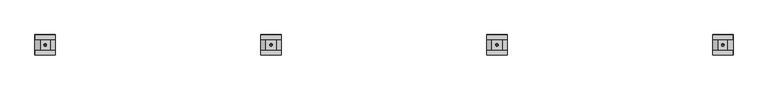
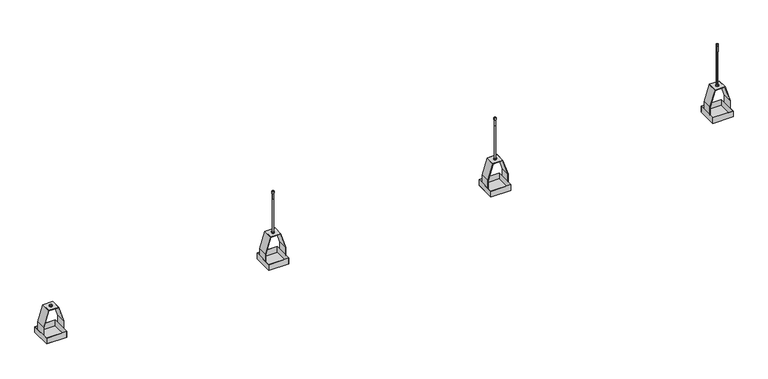
"""IFC4 building model written with IfcOpenShell, lengths in millimetres: proxy geometry."""

from ifc_helpers import new_model, si_unit, point, frame, frame_2d, origin, origin_2d, place, context, project, spatial, polyline, circle_curve, trimmed, segment, composite_curve, outline, extrude, faceted_brep, source, transform, mapped, element, save
from ifc_brep_helpers import plane_surface, cylinder_surface, revolved_surface, advanced_brep


def generic_models_8f2b89ca(model_context):
    return source(origin(), model_context, "Body", "SolidModel", [
        faceted_brep([(3250.0, -50.0, 30.0), (3350.0, -50.0, 30.0), (3350.0, 50.0, 30.0), (3250.0, 50.0, 30.0), (3250.8, -49.2, 30.0), (3250.8, 49.2, 30.0), (3349.2, 49.2, 30.0), (3349.2, -49.2, 30.0), (3250.0, -50.0, 0.0), (3250.0, 50.0, 0.0), (3350.0, 50.0, 0.0), (3350.0, -50.0, 0.0), (3250.0, -50.0, 0.8), (3350.0, -50.0, 0.8), (3350.0, 50.0, 0.8), (3250.0, 50.0, 0.8), (3250.8, -49.2, 0.8), (3250.8, 49.2, 0.8), (3349.2, 49.2, 0.8), (3349.2, -49.2, 0.8)], [[[0, 1, 2, 3], [4, 5, 6, 7]], [[8, 9, 10, 11]], [[1, 0, 12, 8, 11, 13]], [[2, 1, 13, 11, 10, 14]], [[3, 2, 14, 10, 9, 15]], [[0, 3, 15, 9, 8, 12]], [[5, 4, 16, 17]], [[6, 5, 17, 18]], [[7, 6, 18, 19]], [[4, 7, 19, 16]], [[17, 16, 19, 18]]]),
        advanced_brep(
        [(3275.0, 25.0, 149.9839984), (3323.9299569, 25.0, 149.9839984), (3323.9299569, 25.0, 149.1839984), (3275.5881176, 25.0, 149.1839984), (3250.8, 25.0, 69.8778879), (3250.8, 25.0, 30.0), (3250.0, 25.0, 30.0), (3250.0, 25.0, 70.0), (3275.0, -25.0, 149.9839984), (3250.0, -25.0, 70.0), (3250.0, -25.0, 30.0), (3250.8, -25.0, 30.0), (3250.8, -25.0, 69.8778879), (3275.5881176, -25.0, 149.1839984), (3323.9299569, -25.0, 149.1839984), (3323.9299569, -25.0, 149.9839984), (3294.0, 0.0, 149.9839984), (3306.0, 0.0, 149.9839984), (3306.0, 0.0, 149.1839984), (3294.0, 0.0, 149.1839984)],
        [
            (0, 1),
            (1, 2),
            (2, 3),
            (3, 4),
            (4, 5),
            (5, 6),
            (6, 7),
            (7, 0),
            (8, 9),
            (9, 10),
            (10, 11),
            (11, 12),
            (12, 13),
            (13, 14),
            (14, 15),
            (15, 8),
            (0, 8),
            (15, 1),
            (16, 17, circle_curve(frame((3300.0, 0.0, 149.9839984), z_axis=(0.0, 0.0, -1.0), x_axis=(-1.0, 0.0, 0.0)), 6.0)),
            (17, 16, circle_curve(frame((3300.0, 0.0, 149.9839984), z_axis=(0.0, 0.0, -1.0), x_axis=(-1.0, 0.0, 0.0)), 6.0)),
            (2, 14),
            (13, 3),
            (18, 19, circle_curve(frame((3300.0, 0.0, 149.1839984), z_axis=(0.0, 0.0, 1.0), x_axis=(-1.0, 0.0, 0.0)), 6.0)),
            (19, 18, circle_curve(frame((3300.0, 0.0, 149.1839984), z_axis=(0.0, 0.0, 1.0), x_axis=(-1.0, 0.0, 0.0)), 6.0)),
            (12, 4),
            (11, 5),
            (10, 6),
            (9, 7),
            (18, 17),
            (16, 19),
        ],
        [
            plane_surface(frame((3325.0, 25.0, 149.9839984), z_axis=(0.0, 1.0, 0.0), x_axis=(1.0, 0.0, 0.0))),
            plane_surface(frame((3325.0, -25.0, 149.9839984), z_axis=(0.0, -1.0, 0.0), x_axis=(-1.0, 0.0, 0.0))),
            plane_surface(frame((3275.0, 25.0, 149.9839984), z_axis=(0.0, 0.0, 1.0), x_axis=(0.0, -1.0, 0.0))),
            plane_surface(frame((3323.9299569, 25.0, 149.1839984), z_axis=(0.0, 0.0, -1.0), x_axis=(0.0, -1.0, 0.0))),
            plane_surface(frame((3275.5881176, 25.0, 149.1839984), z_axis=(0.9544629880629963, 0.0, -0.2983293556086235), x_axis=(0.0, -1.0, 0.0))),
            plane_surface(frame((3250.8, 25.0, 69.8778879), z_axis=(1.0, 0.0, 0.0), x_axis=(0.0, -1.0, 0.0))),
            plane_surface(frame((3250.8, 25.0, 30.0), z_axis=(0.0, 0.0, -1.0), x_axis=(0.0, -1.0, 0.0))),
            plane_surface(frame((3250.0, 25.0, 30.0), z_axis=(-1.0, 0.0, 0.0), x_axis=(0.0, -1.0, 0.0))),
            plane_surface(frame((3250.0, 25.0, 70.0), z_axis=(-0.9544629880629962, 0.0, 0.2983293556086241), x_axis=(0.0, -1.0, 0.0))),
            plane_surface(frame((3323.9299569, 25.0, 149.9839984), z_axis=(1.0, 0.0, 0.0), x_axis=(0.0, -1.0, 0.0))),
            revolved_surface(polyline([(3294.0, 0.0, 149.9839984), (3294.0, 0.0, 149.1839984)]), (3300.0, 0.0, 70.0), (0.0, 0.0, 1.0)),
        ],
        [
            (0, [[1, 2, 3, 4, 5, 6, 7, 8]]),
            (1, [[9, 10, 11, 12, 13, 14, 15, 16]]),
            (2, [[-1, 17, -16, 18], [19, 20]]),
            (3, [[-3, 21, -14, 22], [23, 24]]),
            (4, [[-4, -22, -13, 25]]),
            (5, [[-5, -25, -12, 26]]),
            (6, [[-6, -26, -11, 27]]),
            (7, [[-7, -27, -10, 28]]),
            (8, [[-8, -28, -9, -17]]),
            (9, [[-2, -18, -15, -21]]),
            (10, [[29, -19, 30, -23]]),
            (10, [[-29, -24, -30, -20]]),
        ],
    ),
        advanced_brep(
        [(3324.6766931, 25.0, 151.0183734), (3350.0, 25.0, 70.0), (3350.0, 25.0, 30.0), (3349.2, 25.0, 30.0), (3349.2, 25.0, 69.8778879), (3324.0885755, 25.0, 150.2183734), (3275.0, 25.0, 150.2183734), (3275.0, 25.0, 151.0183734), (3324.6766931, -25.0, 151.0183734), (3275.0, -25.0, 151.0183734), (3275.0, -25.0, 150.2183734), (3324.0885755, -25.0, 150.2183734), (3349.2, -25.0, 69.8778879), (3349.2, -25.0, 30.0), (3350.0, -25.0, 30.0), (3350.0, -25.0, 70.0), (3294.0, 0.0, 151.0183734), (3306.0, 0.0, 151.0183734), (3306.0, 0.0, 150.2183734), (3294.0, 0.0, 150.2183734)],
        [
            (0, 1),
            (1, 2),
            (2, 3),
            (3, 4),
            (4, 5),
            (5, 6),
            (6, 7),
            (7, 0),
            (8, 9),
            (9, 10),
            (10, 11),
            (11, 12),
            (12, 13),
            (13, 14),
            (14, 15),
            (15, 8),
            (7, 9),
            (8, 0),
            (16, 17, circle_curve(frame((3300.0, 0.0, 151.0183734), z_axis=(0.0, 0.0, -1.0), x_axis=(-1.0, 0.0, 0.0)), 6.0)),
            (17, 16, circle_curve(frame((3300.0, 0.0, 151.0183734), z_axis=(0.0, 0.0, -1.0), x_axis=(-1.0, 0.0, 0.0)), 6.0)),
            (5, 11),
            (10, 6),
            (18, 19, circle_curve(frame((3300.0, 0.0, 150.2183734), z_axis=(0.0, 0.0, 1.0), x_axis=(-1.0, 0.0, 0.0)), 6.0)),
            (19, 18, circle_curve(frame((3300.0, 0.0, 150.2183734), z_axis=(0.0, 0.0, 1.0), x_axis=(-1.0, 0.0, 0.0)), 6.0)),
            (4, 12),
            (3, 13),
            (2, 14),
            (1, 15),
            (18, 17),
            (16, 19),
        ],
        [
            plane_surface(frame((3325.0, 25.0, 149.9839984), z_axis=(0.0, 1.0, 0.0), x_axis=(0.2983293556086241, 0.0, -0.9544629880629961))),
            plane_surface(frame((3325.0, -25.0, 149.9839984), z_axis=(0.0, -1.0, 0.0), x_axis=(-0.2983293556086241, 0.0, 0.9544629880629961))),
            plane_surface(frame((3275.0, 25.0, 151.0183734), z_axis=(0.0, 0.0, 1.0), x_axis=(0.0, -1.0, 0.0))),
            plane_surface(frame((3324.0885755, 25.0, 150.2183734), z_axis=(0.0, 0.0, -1.0), x_axis=(0.0, -1.0, 0.0))),
            plane_surface(frame((3349.2, 25.0, 69.8778879), z_axis=(-0.9544629880629963, 0.0, -0.29832935560862356), x_axis=(0.0, -1.0, 0.0))),
            plane_surface(frame((3349.2, 25.0, 30.0), z_axis=(-1.0, 0.0, 0.0), x_axis=(0.0, -1.0, 0.0))),
            plane_surface(frame((3350.0, 25.0, 30.0), z_axis=(0.0, 0.0, -1.0), x_axis=(0.0, -1.0, 0.0))),
            plane_surface(frame((3350.0, 25.0, 70.0), z_axis=(1.0, 0.0, 0.0), x_axis=(0.0, -1.0, 0.0))),
            plane_surface(frame((3324.6766931, 25.0, 151.0183734), z_axis=(0.9544629880629961, 0.0, 0.2983293556086241), x_axis=(0.0, -1.0, 0.0))),
            plane_surface(frame((3275.0, 25.0, 150.2183734), z_axis=(-1.0, 0.0, 0.0), x_axis=(0.0, -1.0, 0.0))),
            revolved_surface(polyline([(3294.0, 0.0, 151.0183734), (3294.0, 0.0, 150.2183734)]), (3300.0, 0.0, 70.0), (0.0, 0.0, 1.0)),
        ],
        [
            (0, [[1, 2, 3, 4, 5, 6, 7, 8]]),
            (1, [[9, 10, 11, 12, 13, 14, 15, 16]]),
            (2, [[-8, 17, -9, 18], [19, 20]]),
            (3, [[-6, 21, -11, 22], [23, 24]]),
            (4, [[-5, 25, -12, -21]]),
            (5, [[-4, 26, -13, -25]]),
            (6, [[-3, 27, -14, -26]]),
            (7, [[-2, 28, -15, -27]]),
            (8, [[-1, -18, -16, -28]]),
            (9, [[-7, -22, -10, -17]]),
            (10, [[29, -19, 30, -23]]),
            (10, [[-29, -24, -30, -20]]),
        ],
    ),
        extrude(outline(polyline([(3300.0, 6.6082069), (3305.722875, 3.3041034), (3305.722875, -3.3041034), (3300.0, -6.6082069), (3294.277125, -3.3041034), (3294.277125, 3.3041034), (3300.0, 6.6082069)]), holes=[composite_curve([segment(trimmed(circle_curve(frame_2d((3300.0, 0.0)), 3.0), [point((3303.0, 0.0))], [point((3297.0, 0.0))], True, "CARTESIAN"), True, "CONTINUOUS"), segment(trimmed(circle_curve(frame_2d((3300.0, 0.0)), 3.0), [point((3297.0, 0.0))], [point((3303.0, 0.0))], True, "CARTESIAN"), True, "CONTINUOUS")], self_intersect=False)]), frame((0.0, 0.0, 151.4355423), z_axis=(0.0, 0.0, 1.0), x_axis=(1.0, 0.0, 0.0)), (0.0, 0.0, 1.0), 5.0),
        advanced_brep(
        [(3300.0, 0.0, 369.1656731), (3295.2681778, 0.0, 367.8977852), (3304.7318222, 0.0, 367.8977852), (3303.671637, 0.0, 329.8942257), (3296.328363, 0.0, 329.8942257), (3300.0, 0.0, 329.8942257), (3303.671637, 0.0, 358.4356931), (3296.328363, 0.0, 358.4356931), (3304.7318222, 0.0, 358.4356931), (3295.2681778, 0.0, 358.4356931)],
        [
            (0, 1),
            (1, 2, circle_curve(frame((3300.0, 0.0, 367.8977852), z_axis=(0.0, 0.0, 1.0), x_axis=(-1.0, 0.0, 0.0)), 4.7318222)),
            (2, 0),
            (2, 1, circle_curve(frame((3300.0, 0.0, 367.8977852), z_axis=(0.0, 0.0, 1.0), x_axis=(-1.0, 0.0, 0.0)), 4.7318222)),
            (3, 4, circle_curve(frame((3300.0, 0.0, 329.8942257), z_axis=(0.0, 0.0, -1.0), x_axis=(-1.0, 0.0, 0.0)), 3.671637)),
            (4, 5),
            (5, 3),
            (4, 3, circle_curve(frame((3300.0, 0.0, 329.8942257), z_axis=(0.0, 0.0, -1.0), x_axis=(-1.0, 0.0, 0.0)), 3.671637)),
            (6, 7, circle_curve(frame((3300.0, 0.0, 358.4356931), z_axis=(0.0, 0.0, -1.0), x_axis=(-1.0, 0.0, 0.0)), 3.671637)),
            (7, 4),
            (3, 6),
            (7, 6, circle_curve(frame((3300.0, 0.0, 358.4356931), z_axis=(0.0, 0.0, -1.0), x_axis=(-1.0, 0.0, 0.0)), 3.671637)),
            (8, 9, circle_curve(frame((3300.0, 0.0, 358.4356931), z_axis=(0.0, 0.0, -1.0), x_axis=(-1.0, 0.0, 0.0)), 4.7318222)),
            (9, 7),
            (6, 8),
            (9, 8, circle_curve(frame((3300.0, 0.0, 358.4356931), z_axis=(0.0, 0.0, -1.0), x_axis=(-1.0, 0.0, 0.0)), 4.7318222)),
            (1, 9),
            (8, 2),
        ],
        [
            revolved_surface(polyline([(3295.2681778, 0.0, 367.8977852), (3300.0, 0.0, 369.1656731)]), (3300.0, 0.0, 337.7924993), (0.0, 0.0, 1.0)),
            plane_surface(frame((3300.0, 0.0, 329.8942257), z_axis=(0.0, 0.0, -1.0), x_axis=(-1.0, 0.0, 0.0))),
            cylinder_surface(frame((3300.0, 0.0, 337.7924993), z_axis=(0.0, 0.0, 1.0), x_axis=(-1.0, 0.0, 0.0)), 3.671637),
            plane_surface(frame((3300.0, 0.0, 358.4356931), z_axis=(0.0, 0.0, -1.0), x_axis=(-1.0, 0.0, 0.0))),
            cylinder_surface(frame((3300.0, 0.0, 337.7924993), z_axis=(0.0, 0.0, 1.0), x_axis=(-1.0, 0.0, 0.0)), 4.7318222),
        ],
        [
            (0, [[1, 2, 3]]),
            (0, [[-3, 4, -1]]),
            (1, [[5, 6, 7]]),
            (1, [[8, -7, -6]]),
            (2, [[9, 10, -5, 11]]),
            (2, [[12, -11, -8, -10]]),
            (3, [[13, 14, -9, 15]]),
            (3, [[16, -15, -12, -14]]),
            (4, [[-2, 17, -13, 18]]),
            (4, [[-4, -18, -16, -17]]),
        ],
    ),
        extrude(outline(composite_curve([segment(trimmed(circle_curve(frame_2d((3300.0, 0.0)), 7.6155736), [point((3307.6155736, 0.0))], [point((3292.3844264, 0.0))], False, "CARTESIAN"), True, "CONTINUOUS"), segment(trimmed(circle_curve(frame_2d((3300.0, 0.0)), 7.6155736), [point((3292.3844264, 0.0))], [point((3307.6155736, 0.0))], False, "CARTESIAN"), True, "CONTINUOUS")], self_intersect=False), holes=[composite_curve([segment(trimmed(circle_curve(frame_2d((3300.0, 0.0)), 3.0), [point((3303.0, 0.0))], [point((3297.0, 0.0))], True, "CARTESIAN"), True, "CONTINUOUS"), segment(trimmed(circle_curve(frame_2d((3300.0, 0.0)), 3.0), [point((3297.0, 0.0))], [point((3303.0, 0.0))], True, "CARTESIAN"), True, "CONTINUOUS")], self_intersect=False)]), frame((0.0, 0.0, 147.9339984), z_axis=(0.0, 0.0, 1.0), x_axis=(1.0, 0.0, 0.0)), (0.0, 0.0, 1.0), 1.0),
        extrude(outline(polyline([(3300.0, 6.6082069), (3305.722875, 3.3041034), (3305.722875, -3.3041034), (3300.0, -6.6082069), (3294.277125, -3.3041034), (3294.277125, 3.3041034), (3300.0, 6.6082069)]), holes=[composite_curve([segment(trimmed(circle_curve(frame_2d((3300.0, 0.0)), 3.0), [point((3303.0, 0.0))], [point((3297.0, 0.0))], True, "CARTESIAN"), True, "CONTINUOUS"), segment(trimmed(circle_curve(frame_2d((3300.0, 0.0)), 3.0), [point((3297.0, 0.0))], [point((3303.0, 0.0))], True, "CARTESIAN"), True, "CONTINUOUS")], self_intersect=False)]), frame((0.0, 0.0, 142.9339984), z_axis=(0.0, 0.0, 1.0), x_axis=(1.0, 0.0, 0.0)), (0.0, 0.0, 1.0), 5.0),
        extrude(outline(composite_curve([segment(trimmed(circle_curve(frame_2d((3300.0, 0.0)), 3.0), [point((3303.0, 0.0))], [point((3297.0, 0.0))], False, "CARTESIAN"), True, "CONTINUOUS"), segment(trimmed(circle_curve(frame_2d((3300.0, 0.0)), 3.0), [point((3297.0, 0.0))], [point((3303.0, 0.0))], False, "CARTESIAN"), True, "CONTINUOUS")], self_intersect=False)), frame((0.0, 0.0, 137.8977852), z_axis=(0.0, 0.0, 1.0), x_axis=(1.0, 0.0, 0.0)), (0.0, 0.0, 1.0), 230.0),
        faceted_brep([(2150.0, -50.0, 30.0), (2250.0, -50.0, 30.0), (2250.0, 50.0, 30.0), (2150.0, 50.0, 30.0), (2150.8, -49.2, 30.0), (2150.8, 49.2, 30.0), (2249.2, 49.2, 30.0), (2249.2, -49.2, 30.0), (2150.0, -50.0, 0.0), (2150.0, 50.0, 0.0), (2250.0, 50.0, 0.0), (2250.0, -50.0, 0.0), (2150.0, -50.0, 0.8), (2250.0, -50.0, 0.8), (2250.0, 50.0, 0.8), (2150.0, 50.0, 0.8), (2150.8, -49.2, 0.8), (2150.8, 49.2, 0.8), (2249.2, 49.2, 0.8), (2249.2, -49.2, 0.8)], [[[0, 1, 2, 3], [4, 5, 6, 7]], [[8, 9, 10, 11]], [[1, 0, 12, 8, 11, 13]], [[2, 1, 13, 11, 10, 14]], [[3, 2, 14, 10, 9, 15]], [[0, 3, 15, 9, 8, 12]], [[5, 4, 16, 17]], [[6, 5, 17, 18]], [[7, 6, 18, 19]], [[4, 7, 19, 16]], [[17, 16, 19, 18]]]),
        advanced_brep(
        [(2175.0, 25.0, 149.9839984), (2223.9299569, 25.0, 149.9839984), (2223.9299569, 25.0, 149.1839984), (2175.5881176, 25.0, 149.1839984), (2150.8, 25.0, 69.8778879), (2150.8, 25.0, 30.0), (2150.0, 25.0, 30.0), (2150.0, 25.0, 70.0), (2175.0, -25.0, 149.9839984), (2150.0, -25.0, 70.0), (2150.0, -25.0, 30.0), (2150.8, -25.0, 30.0), (2150.8, -25.0, 69.8778879), (2175.5881176, -25.0, 149.1839984), (2223.9299569, -25.0, 149.1839984), (2223.9299569, -25.0, 149.9839984), (2194.0, 0.0, 149.9839984), (2206.0, 0.0, 149.9839984), (2206.0, 0.0, 149.1839984), (2194.0, 0.0, 149.1839984)],
        [
            (0, 1),
            (1, 2),
            (2, 3),
            (3, 4),
            (4, 5),
            (5, 6),
            (6, 7),
            (7, 0),
            (8, 9),
            (9, 10),
            (10, 11),
            (11, 12),
            (12, 13),
            (13, 14),
            (14, 15),
            (15, 8),
            (0, 8),
            (15, 1),
            (16, 17, circle_curve(frame((2200.0, 0.0, 149.9839984), z_axis=(0.0, 0.0, -1.0), x_axis=(-1.0, 0.0, 0.0)), 6.0)),
            (17, 16, circle_curve(frame((2200.0, 0.0, 149.9839984), z_axis=(0.0, 0.0, -1.0), x_axis=(-1.0, 0.0, 0.0)), 6.0)),
            (2, 14),
            (13, 3),
            (18, 19, circle_curve(frame((2200.0, 0.0, 149.1839984), z_axis=(0.0, 0.0, 1.0), x_axis=(-1.0, 0.0, 0.0)), 6.0)),
            (19, 18, circle_curve(frame((2200.0, 0.0, 149.1839984), z_axis=(0.0, 0.0, 1.0), x_axis=(-1.0, 0.0, 0.0)), 6.0)),
            (12, 4),
            (11, 5),
            (10, 6),
            (9, 7),
            (18, 17),
            (16, 19),
        ],
        [
            plane_surface(frame((2225.0, 25.0, 149.9839984), z_axis=(0.0, 1.0, 0.0), x_axis=(1.0, 0.0, 0.0))),
            plane_surface(frame((2225.0, -25.0, 149.9839984), z_axis=(0.0, -1.0, 0.0), x_axis=(-1.0, 0.0, 0.0))),
            plane_surface(frame((2175.0, 25.0, 149.9839984), z_axis=(0.0, 0.0, 1.0), x_axis=(0.0, -1.0, 0.0))),
            plane_surface(frame((2223.9299569, 25.0, 149.1839984), z_axis=(0.0, 0.0, -1.0), x_axis=(0.0, -1.0, 0.0))),
            plane_surface(frame((2175.5881176, 25.0, 149.1839984), z_axis=(0.9544629880629963, 0.0, -0.2983293556086235), x_axis=(0.0, -1.0, 0.0))),
            plane_surface(frame((2150.8, 25.0, 69.8778879), z_axis=(1.0, 0.0, 0.0), x_axis=(0.0, -1.0, 0.0))),
            plane_surface(frame((2150.8, 25.0, 30.0), z_axis=(0.0, 0.0, -1.0), x_axis=(0.0, -1.0, 0.0))),
            plane_surface(frame((2150.0, 25.0, 30.0), z_axis=(-1.0, 0.0, 0.0), x_axis=(0.0, -1.0, 0.0))),
            plane_surface(frame((2150.0, 25.0, 70.0), z_axis=(-0.9544629880629962, 0.0, 0.2983293556086241), x_axis=(0.0, -1.0, 0.0))),
            plane_surface(frame((2223.9299569, 25.0, 149.9839984), z_axis=(1.0, 0.0, 0.0), x_axis=(0.0, -1.0, 0.0))),
            revolved_surface(polyline([(2194.0, 0.0, 149.9839984), (2194.0, 0.0, 149.1839984)]), (2200.0, 0.0, 70.0), (0.0, 0.0, 1.0)),
        ],
        [
            (0, [[1, 2, 3, 4, 5, 6, 7, 8]]),
            (1, [[9, 10, 11, 12, 13, 14, 15, 16]]),
            (2, [[-1, 17, -16, 18], [19, 20]]),
            (3, [[-3, 21, -14, 22], [23, 24]]),
            (4, [[-4, -22, -13, 25]]),
            (5, [[-5, -25, -12, 26]]),
            (6, [[-6, -26, -11, 27]]),
            (7, [[-7, -27, -10, 28]]),
            (8, [[-8, -28, -9, -17]]),
            (9, [[-2, -18, -15, -21]]),
            (10, [[29, -19, 30, -23]]),
            (10, [[-29, -24, -30, -20]]),
        ],
    ),
        advanced_brep(
        [(2224.6766931, 25.0, 151.0183734), (2250.0, 25.0, 70.0), (2250.0, 25.0, 30.0), (2249.2, 25.0, 30.0), (2249.2, 25.0, 69.8778879), (2224.0885755, 25.0, 150.2183734), (2175.0, 25.0, 150.2183734), (2175.0, 25.0, 151.0183734), (2224.6766931, -25.0, 151.0183734), (2175.0, -25.0, 151.0183734), (2175.0, -25.0, 150.2183734), (2224.0885755, -25.0, 150.2183734), (2249.2, -25.0, 69.8778879), (2249.2, -25.0, 30.0), (2250.0, -25.0, 30.0), (2250.0, -25.0, 70.0), (2194.0, 0.0, 151.0183734), (2206.0, 0.0, 151.0183734), (2206.0, 0.0, 150.2183734), (2194.0, 0.0, 150.2183734)],
        [
            (0, 1),
            (1, 2),
            (2, 3),
            (3, 4),
            (4, 5),
            (5, 6),
            (6, 7),
            (7, 0),
            (8, 9),
            (9, 10),
            (10, 11),
            (11, 12),
            (12, 13),
            (13, 14),
            (14, 15),
            (15, 8),
            (7, 9),
            (8, 0),
            (16, 17, circle_curve(frame((2200.0, 0.0, 151.0183734), z_axis=(0.0, 0.0, -1.0), x_axis=(-1.0, 0.0, 0.0)), 6.0)),
            (17, 16, circle_curve(frame((2200.0, 0.0, 151.0183734), z_axis=(0.0, 0.0, -1.0), x_axis=(-1.0, 0.0, 0.0)), 6.0)),
            (5, 11),
            (10, 6),
            (18, 19, circle_curve(frame((2200.0, 0.0, 150.2183734), z_axis=(0.0, 0.0, 1.0), x_axis=(-1.0, 0.0, 0.0)), 6.0)),
            (19, 18, circle_curve(frame((2200.0, 0.0, 150.2183734), z_axis=(0.0, 0.0, 1.0), x_axis=(-1.0, 0.0, 0.0)), 6.0)),
            (4, 12),
            (3, 13),
            (2, 14),
            (1, 15),
            (18, 17),
            (16, 19),
        ],
        [
            plane_surface(frame((2225.0, 25.0, 149.9839984), z_axis=(0.0, 1.0, 0.0), x_axis=(0.2983293556086241, 0.0, -0.9544629880629961))),
            plane_surface(frame((2225.0, -25.0, 149.9839984), z_axis=(0.0, -1.0, 0.0), x_axis=(-0.2983293556086241, 0.0, 0.9544629880629961))),
            plane_surface(frame((2175.0, 25.0, 151.0183734), z_axis=(0.0, 0.0, 1.0), x_axis=(0.0, -1.0, 0.0))),
            plane_surface(frame((2224.0885755, 25.0, 150.2183734), z_axis=(0.0, 0.0, -1.0), x_axis=(0.0, -1.0, 0.0))),
            plane_surface(frame((2249.2, 25.0, 69.8778879), z_axis=(-0.9544629880629963, 0.0, -0.29832935560862356), x_axis=(0.0, -1.0, 0.0))),
            plane_surface(frame((2249.2, 25.0, 30.0), z_axis=(-1.0, 0.0, 0.0), x_axis=(0.0, -1.0, 0.0))),
            plane_surface(frame((2250.0, 25.0, 30.0), z_axis=(0.0, 0.0, -1.0), x_axis=(0.0, -1.0, 0.0))),
            plane_surface(frame((2250.0, 25.0, 70.0), z_axis=(1.0, 0.0, 0.0), x_axis=(0.0, -1.0, 0.0))),
            plane_surface(frame((2224.6766931, 25.0, 151.0183734), z_axis=(0.9544629880629961, 0.0, 0.2983293556086241), x_axis=(0.0, -1.0, 0.0))),
            plane_surface(frame((2175.0, 25.0, 150.2183734), z_axis=(-1.0, 0.0, 0.0), x_axis=(0.0, -1.0, 0.0))),
            revolved_surface(polyline([(2194.0, 0.0, 151.0183734), (2194.0, 0.0, 150.2183734)]), (2200.0, 0.0, 70.0), (0.0, 0.0, 1.0)),
        ],
        [
            (0, [[1, 2, 3, 4, 5, 6, 7, 8]]),
            (1, [[9, 10, 11, 12, 13, 14, 15, 16]]),
            (2, [[-8, 17, -9, 18], [19, 20]]),
            (3, [[-6, 21, -11, 22], [23, 24]]),
            (4, [[-5, 25, -12, -21]]),
            (5, [[-4, 26, -13, -25]]),
            (6, [[-3, 27, -14, -26]]),
            (7, [[-2, 28, -15, -27]]),
            (8, [[-1, -18, -16, -28]]),
            (9, [[-7, -22, -10, -17]]),
            (10, [[29, -19, 30, -23]]),
            (10, [[-29, -24, -30, -20]]),
        ],
    ),
        extrude(outline(polyline([(2200.0, 6.6082069), (2205.722875, 3.3041034), (2205.722875, -3.3041034), (2200.0, -6.6082069), (2194.277125, -3.3041034), (2194.277125, 3.3041034), (2200.0, 6.6082069)]), holes=[composite_curve([segment(trimmed(circle_curve(frame_2d((2200.0, 0.0)), 3.0), [point((2203.0, 0.0))], [point((2197.0, 0.0))], True, "CARTESIAN"), True, "CONTINUOUS"), segment(trimmed(circle_curve(frame_2d((2200.0, 0.0)), 3.0), [point((2197.0, 0.0))], [point((2203.0, 0.0))], True, "CARTESIAN"), True, "CONTINUOUS")], self_intersect=False)]), frame((0.0, 0.0, 151.4355423), z_axis=(0.0, 0.0, 1.0), x_axis=(1.0, 0.0, 0.0)), (0.0, 0.0, 1.0), 5.0),
        advanced_brep(
        [(2200.0, 0.0, 369.1656731), (2195.2681778, 0.0, 367.8977852), (2204.7318222, 0.0, 367.8977852), (2203.671637, 0.0, 329.8942257), (2196.328363, 0.0, 329.8942257), (2200.0, 0.0, 329.8942257), (2203.671637, 0.0, 358.4356931), (2196.328363, 0.0, 358.4356931), (2204.7318222, 0.0, 358.4356931), (2195.2681778, 0.0, 358.4356931)],
        [
            (0, 1),
            (1, 2, circle_curve(frame((2200.0, 0.0, 367.8977852), z_axis=(0.0, 0.0, 1.0), x_axis=(-1.0, 0.0, 0.0)), 4.7318222)),
            (2, 0),
            (2, 1, circle_curve(frame((2200.0, 0.0, 367.8977852), z_axis=(0.0, 0.0, 1.0), x_axis=(-1.0, 0.0, 0.0)), 4.7318222)),
            (3, 4, circle_curve(frame((2200.0, 0.0, 329.8942257), z_axis=(0.0, 0.0, -1.0), x_axis=(-1.0, 0.0, 0.0)), 3.671637)),
            (4, 5),
            (5, 3),
            (4, 3, circle_curve(frame((2200.0, 0.0, 329.8942257), z_axis=(0.0, 0.0, -1.0), x_axis=(-1.0, 0.0, 0.0)), 3.671637)),
            (6, 7, circle_curve(frame((2200.0, 0.0, 358.4356931), z_axis=(0.0, 0.0, -1.0), x_axis=(-1.0, 0.0, 0.0)), 3.671637)),
            (7, 4),
            (3, 6),
            (7, 6, circle_curve(frame((2200.0, 0.0, 358.4356931), z_axis=(0.0, 0.0, -1.0), x_axis=(-1.0, 0.0, 0.0)), 3.671637)),
            (8, 9, circle_curve(frame((2200.0, 0.0, 358.4356931), z_axis=(0.0, 0.0, -1.0), x_axis=(-1.0, 0.0, 0.0)), 4.7318222)),
            (9, 7),
            (6, 8),
            (9, 8, circle_curve(frame((2200.0, 0.0, 358.4356931), z_axis=(0.0, 0.0, -1.0), x_axis=(-1.0, 0.0, 0.0)), 4.7318222)),
            (1, 9),
            (8, 2),
        ],
        [
            revolved_surface(polyline([(2195.2681778, 0.0, 367.8977852), (2200.0, 0.0, 369.1656731)]), (2200.0, 0.0, 337.7924993), (0.0, 0.0, 1.0)),
            plane_surface(frame((2200.0, 0.0, 329.8942257), z_axis=(0.0, 0.0, -1.0), x_axis=(-1.0, 0.0, 0.0))),
            cylinder_surface(frame((2200.0, 0.0, 337.7924993), z_axis=(0.0, 0.0, 1.0), x_axis=(-1.0, 0.0, 0.0)), 3.671637),
            plane_surface(frame((2200.0, 0.0, 358.4356931), z_axis=(0.0, 0.0, -1.0), x_axis=(-1.0, 0.0, 0.0))),
            cylinder_surface(frame((2200.0, 0.0, 337.7924993), z_axis=(0.0, 0.0, 1.0), x_axis=(-1.0, 0.0, 0.0)), 4.7318222),
        ],
        [
            (0, [[1, 2, 3]]),
            (0, [[-3, 4, -1]]),
            (1, [[5, 6, 7]]),
            (1, [[8, -7, -6]]),
            (2, [[9, 10, -5, 11]]),
            (2, [[12, -11, -8, -10]]),
            (3, [[13, 14, -9, 15]]),
            (3, [[16, -15, -12, -14]]),
            (4, [[-2, 17, -13, 18]]),
            (4, [[-4, -18, -16, -17]]),
        ],
    ),
        extrude(outline(composite_curve([segment(trimmed(circle_curve(frame_2d((2200.0, 0.0)), 7.6155736), [point((2207.6155736, 0.0))], [point((2192.3844264, 0.0))], False, "CARTESIAN"), True, "CONTINUOUS"), segment(trimmed(circle_curve(frame_2d((2200.0, 0.0)), 7.6155736), [point((2192.3844264, 0.0))], [point((2207.6155736, 0.0))], False, "CARTESIAN"), True, "CONTINUOUS")], self_intersect=False), holes=[composite_curve([segment(trimmed(circle_curve(frame_2d((2200.0, 0.0)), 3.0), [point((2203.0, 0.0))], [point((2197.0, 0.0))], True, "CARTESIAN"), True, "CONTINUOUS"), segment(trimmed(circle_curve(frame_2d((2200.0, 0.0)), 3.0), [point((2197.0, 0.0))], [point((2203.0, 0.0))], True, "CARTESIAN"), True, "CONTINUOUS")], self_intersect=False)]), frame((0.0, 0.0, 147.9339984), z_axis=(0.0, 0.0, 1.0), x_axis=(1.0, 0.0, 0.0)), (0.0, 0.0, 1.0), 1.0),
        extrude(outline(polyline([(2200.0, 6.6082069), (2205.722875, 3.3041034), (2205.722875, -3.3041034), (2200.0, -6.6082069), (2194.277125, -3.3041034), (2194.277125, 3.3041034), (2200.0, 6.6082069)]), holes=[composite_curve([segment(trimmed(circle_curve(frame_2d((2200.0, 0.0)), 3.0), [point((2203.0, 0.0))], [point((2197.0, 0.0))], True, "CARTESIAN"), True, "CONTINUOUS"), segment(trimmed(circle_curve(frame_2d((2200.0, 0.0)), 3.0), [point((2197.0, 0.0))], [point((2203.0, 0.0))], True, "CARTESIAN"), True, "CONTINUOUS")], self_intersect=False)]), frame((0.0, 0.0, 142.9339984), z_axis=(0.0, 0.0, 1.0), x_axis=(1.0, 0.0, 0.0)), (0.0, 0.0, 1.0), 5.0),
        extrude(outline(composite_curve([segment(trimmed(circle_curve(frame_2d((2200.0, 0.0)), 3.0), [point((2203.0, 0.0))], [point((2197.0, 0.0))], False, "CARTESIAN"), True, "CONTINUOUS"), segment(trimmed(circle_curve(frame_2d((2200.0, 0.0)), 3.0), [point((2197.0, 0.0))], [point((2203.0, 0.0))], False, "CARTESIAN"), True, "CONTINUOUS")], self_intersect=False)), frame((0.0, 0.0, 137.8977852), z_axis=(0.0, 0.0, 1.0), x_axis=(1.0, 0.0, 0.0)), (0.0, 0.0, 1.0), 230.0),
        faceted_brep([(1050.0, -50.0, 30.0), (1150.0, -50.0, 30.0), (1150.0, 50.0, 30.0), (1050.0, 50.0, 30.0), (1050.8, -49.2, 30.0), (1050.8, 49.2, 30.0), (1149.2, 49.2, 30.0), (1149.2, -49.2, 30.0), (1050.0, -50.0, 0.0), (1050.0, 50.0, 0.0), (1150.0, 50.0, 0.0), (1150.0, -50.0, 0.0), (1050.0, -50.0, 0.8), (1150.0, -50.0, 0.8), (1150.0, 50.0, 0.8), (1050.0, 50.0, 0.8), (1050.8, -49.2, 0.8), (1050.8, 49.2, 0.8), (1149.2, 49.2, 0.8), (1149.2, -49.2, 0.8)], [[[0, 1, 2, 3], [4, 5, 6, 7]], [[8, 9, 10, 11]], [[1, 0, 12, 8, 11, 13]], [[2, 1, 13, 11, 10, 14]], [[3, 2, 14, 10, 9, 15]], [[0, 3, 15, 9, 8, 12]], [[5, 4, 16, 17]], [[6, 5, 17, 18]], [[7, 6, 18, 19]], [[4, 7, 19, 16]], [[17, 16, 19, 18]]]),
        advanced_brep(
        [(1075.0, 25.0, 149.9839984), (1123.9299569, 25.0, 149.9839984), (1123.9299569, 25.0, 149.1839984), (1075.5881176, 25.0, 149.1839984), (1050.8, 25.0, 69.8778879), (1050.8, 25.0, 30.0), (1050.0, 25.0, 30.0), (1050.0, 25.0, 70.0), (1075.0, -25.0, 149.9839984), (1050.0, -25.0, 70.0), (1050.0, -25.0, 30.0), (1050.8, -25.0, 30.0), (1050.8, -25.0, 69.8778879), (1075.5881176, -25.0, 149.1839984), (1123.9299569, -25.0, 149.1839984), (1123.9299569, -25.0, 149.9839984), (1094.0, 0.0, 149.9839984), (1106.0, 0.0, 149.9839984), (1106.0, 0.0, 149.1839984), (1094.0, 0.0, 149.1839984)],
        [
            (0, 1),
            (1, 2),
            (2, 3),
            (3, 4),
            (4, 5),
            (5, 6),
            (6, 7),
            (7, 0),
            (8, 9),
            (9, 10),
            (10, 11),
            (11, 12),
            (12, 13),
            (13, 14),
            (14, 15),
            (15, 8),
            (0, 8),
            (15, 1),
            (16, 17, circle_curve(frame((1100.0, 0.0, 149.9839984), z_axis=(0.0, 0.0, -1.0), x_axis=(-1.0, 0.0, 0.0)), 6.0)),
            (17, 16, circle_curve(frame((1100.0, 0.0, 149.9839984), z_axis=(0.0, 0.0, -1.0), x_axis=(-1.0, 0.0, 0.0)), 6.0)),
            (2, 14),
            (13, 3),
            (18, 19, circle_curve(frame((1100.0, 0.0, 149.1839984), z_axis=(0.0, 0.0, 1.0), x_axis=(-1.0, 0.0, 0.0)), 6.0)),
            (19, 18, circle_curve(frame((1100.0, 0.0, 149.1839984), z_axis=(0.0, 0.0, 1.0), x_axis=(-1.0, 0.0, 0.0)), 6.0)),
            (12, 4),
            (11, 5),
            (10, 6),
            (9, 7),
            (18, 17),
            (16, 19),
        ],
        [
            plane_surface(frame((1125.0, 25.0, 149.9839984), z_axis=(0.0, 1.0, 0.0), x_axis=(1.0, 0.0, 0.0))),
            plane_surface(frame((1125.0, -25.0, 149.9839984), z_axis=(0.0, -1.0, 0.0), x_axis=(-1.0, 0.0, 0.0))),
            plane_surface(frame((1075.0, 25.0, 149.9839984), z_axis=(0.0, 0.0, 1.0), x_axis=(0.0, -1.0, 0.0))),
            plane_surface(frame((1123.9299569, 25.0, 149.1839984), z_axis=(0.0, 0.0, -1.0), x_axis=(0.0, -1.0, 0.0))),
            plane_surface(frame((1075.5881176, 25.0, 149.1839984), z_axis=(0.9544629880629963, 0.0, -0.2983293556086235), x_axis=(0.0, -1.0, 0.0))),
            plane_surface(frame((1050.8, 25.0, 69.8778879), z_axis=(1.0, 0.0, 0.0), x_axis=(0.0, -1.0, 0.0))),
            plane_surface(frame((1050.8, 25.0, 30.0), z_axis=(0.0, 0.0, -1.0), x_axis=(0.0, -1.0, 0.0))),
            plane_surface(frame((1050.0, 25.0, 30.0), z_axis=(-1.0, 0.0, 0.0), x_axis=(0.0, -1.0, 0.0))),
            plane_surface(frame((1050.0, 25.0, 70.0), z_axis=(-0.9544629880629962, 0.0, 0.2983293556086241), x_axis=(0.0, -1.0, 0.0))),
            plane_surface(frame((1123.9299569, 25.0, 149.9839984), z_axis=(1.0, 0.0, 0.0), x_axis=(0.0, -1.0, 0.0))),
            revolved_surface(polyline([(1094.0, 0.0, 149.9839984), (1094.0, 0.0, 149.1839984)]), (1100.0, 0.0, 70.0), (0.0, 0.0, 1.0)),
        ],
        [
            (0, [[1, 2, 3, 4, 5, 6, 7, 8]]),
            (1, [[9, 10, 11, 12, 13, 14, 15, 16]]),
            (2, [[-1, 17, -16, 18], [19, 20]]),
            (3, [[-3, 21, -14, 22], [23, 24]]),
            (4, [[-4, -22, -13, 25]]),
            (5, [[-5, -25, -12, 26]]),
            (6, [[-6, -26, -11, 27]]),
            (7, [[-7, -27, -10, 28]]),
            (8, [[-8, -28, -9, -17]]),
            (9, [[-2, -18, -15, -21]]),
            (10, [[29, -19, 30, -23]]),
            (10, [[-29, -24, -30, -20]]),
        ],
    ),
        advanced_brep(
        [(1124.6766931, 25.0, 151.0183734), (1150.0, 25.0, 70.0), (1150.0, 25.0, 30.0), (1149.2, 25.0, 30.0), (1149.2, 25.0, 69.8778879), (1124.0885755, 25.0, 150.2183734), (1075.0, 25.0, 150.2183734), (1075.0, 25.0, 151.0183734), (1124.6766931, -25.0, 151.0183734), (1075.0, -25.0, 151.0183734), (1075.0, -25.0, 150.2183734), (1124.0885755, -25.0, 150.2183734), (1149.2, -25.0, 69.8778879), (1149.2, -25.0, 30.0), (1150.0, -25.0, 30.0), (1150.0, -25.0, 70.0), (1094.0, 0.0, 151.0183734), (1106.0, 0.0, 151.0183734), (1106.0, 0.0, 150.2183734), (1094.0, 0.0, 150.2183734)],
        [
            (0, 1),
            (1, 2),
            (2, 3),
            (3, 4),
            (4, 5),
            (5, 6),
            (6, 7),
            (7, 0),
            (8, 9),
            (9, 10),
            (10, 11),
            (11, 12),
            (12, 13),
            (13, 14),
            (14, 15),
            (15, 8),
            (7, 9),
            (8, 0),
            (16, 17, circle_curve(frame((1100.0, 0.0, 151.0183734), z_axis=(0.0, 0.0, -1.0), x_axis=(-1.0, 0.0, 0.0)), 6.0)),
            (17, 16, circle_curve(frame((1100.0, 0.0, 151.0183734), z_axis=(0.0, 0.0, -1.0), x_axis=(-1.0, 0.0, 0.0)), 6.0)),
            (5, 11),
            (10, 6),
            (18, 19, circle_curve(frame((1100.0, 0.0, 150.2183734), z_axis=(0.0, 0.0, 1.0), x_axis=(-1.0, 0.0, 0.0)), 6.0)),
            (19, 18, circle_curve(frame((1100.0, 0.0, 150.2183734), z_axis=(0.0, 0.0, 1.0), x_axis=(-1.0, 0.0, 0.0)), 6.0)),
            (4, 12),
            (3, 13),
            (2, 14),
            (1, 15),
            (18, 17),
            (16, 19),
        ],
        [
            plane_surface(frame((1125.0, 25.0, 149.9839984), z_axis=(0.0, 1.0, 0.0), x_axis=(0.2983293556086241, 0.0, -0.9544629880629961))),
            plane_surface(frame((1125.0, -25.0, 149.9839984), z_axis=(0.0, -1.0, 0.0), x_axis=(-0.2983293556086241, 0.0, 0.9544629880629961))),
            plane_surface(frame((1075.0, 25.0, 151.0183734), z_axis=(0.0, 0.0, 1.0), x_axis=(0.0, -1.0, 0.0))),
            plane_surface(frame((1124.0885755, 25.0, 150.2183734), z_axis=(0.0, 0.0, -1.0), x_axis=(0.0, -1.0, 0.0))),
            plane_surface(frame((1149.2, 25.0, 69.8778879), z_axis=(-0.9544629880629963, 0.0, -0.29832935560862356), x_axis=(0.0, -1.0, 0.0))),
            plane_surface(frame((1149.2, 25.0, 30.0), z_axis=(-1.0, 0.0, 0.0), x_axis=(0.0, -1.0, 0.0))),
            plane_surface(frame((1150.0, 25.0, 30.0), z_axis=(0.0, 0.0, -1.0), x_axis=(0.0, -1.0, 0.0))),
            plane_surface(frame((1150.0, 25.0, 70.0), z_axis=(1.0, 0.0, 0.0), x_axis=(0.0, -1.0, 0.0))),
            plane_surface(frame((1124.6766931, 25.0, 151.0183734), z_axis=(0.9544629880629961, 0.0, 0.2983293556086241), x_axis=(0.0, -1.0, 0.0))),
            plane_surface(frame((1075.0, 25.0, 150.2183734), z_axis=(-1.0, 0.0, 0.0), x_axis=(0.0, -1.0, 0.0))),
            revolved_surface(polyline([(1094.0, 0.0, 151.0183734), (1094.0, 0.0, 150.2183734)]), (1100.0, 0.0, 70.0), (0.0, 0.0, 1.0)),
        ],
        [
            (0, [[1, 2, 3, 4, 5, 6, 7, 8]]),
            (1, [[9, 10, 11, 12, 13, 14, 15, 16]]),
            (2, [[-8, 17, -9, 18], [19, 20]]),
            (3, [[-6, 21, -11, 22], [23, 24]]),
            (4, [[-5, 25, -12, -21]]),
            (5, [[-4, 26, -13, -25]]),
            (6, [[-3, 27, -14, -26]]),
            (7, [[-2, 28, -15, -27]]),
            (8, [[-1, -18, -16, -28]]),
            (9, [[-7, -22, -10, -17]]),
            (10, [[29, -19, 30, -23]]),
            (10, [[-29, -24, -30, -20]]),
        ],
    ),
        extrude(outline(polyline([(1100.0, 6.6082069), (1105.722875, 3.3041034), (1105.722875, -3.3041034), (1100.0, -6.6082069), (1094.277125, -3.3041034), (1094.277125, 3.3041034), (1100.0, 6.6082069)]), holes=[composite_curve([segment(trimmed(circle_curve(frame_2d((1100.0, 0.0)), 3.0), [point((1103.0, 0.0))], [point((1097.0, 0.0))], True, "CARTESIAN"), True, "CONTINUOUS"), segment(trimmed(circle_curve(frame_2d((1100.0, 0.0)), 3.0), [point((1097.0, 0.0))], [point((1103.0, 0.0))], True, "CARTESIAN"), True, "CONTINUOUS")], self_intersect=False)]), frame((0.0, 0.0, 151.4355423), z_axis=(0.0, 0.0, 1.0), x_axis=(1.0, 0.0, 0.0)), (0.0, 0.0, 1.0), 5.0),
        advanced_brep(
        [(1100.0, 0.0, 369.1656731), (1095.2681778, 0.0, 367.8977852), (1104.7318222, 0.0, 367.8977852), (1103.671637, 0.0, 329.8942257), (1096.328363, 0.0, 329.8942257), (1100.0, 0.0, 329.8942257), (1103.671637, 0.0, 358.4356931), (1096.328363, 0.0, 358.4356931), (1104.7318222, 0.0, 358.4356931), (1095.2681778, 0.0, 358.4356931)],
        [
            (0, 1),
            (1, 2, circle_curve(frame((1100.0, 0.0, 367.8977852), z_axis=(0.0, 0.0, 1.0), x_axis=(-1.0, 0.0, 0.0)), 4.7318222)),
            (2, 0),
            (2, 1, circle_curve(frame((1100.0, 0.0, 367.8977852), z_axis=(0.0, 0.0, 1.0), x_axis=(-1.0, 0.0, 0.0)), 4.7318222)),
            (3, 4, circle_curve(frame((1100.0, 0.0, 329.8942257), z_axis=(0.0, 0.0, -1.0), x_axis=(-1.0, 0.0, 0.0)), 3.671637)),
            (4, 5),
            (5, 3),
            (4, 3, circle_curve(frame((1100.0, 0.0, 329.8942257), z_axis=(0.0, 0.0, -1.0), x_axis=(-1.0, 0.0, 0.0)), 3.671637)),
            (6, 7, circle_curve(frame((1100.0, 0.0, 358.4356931), z_axis=(0.0, 0.0, -1.0), x_axis=(-1.0, 0.0, 0.0)), 3.671637)),
            (7, 4),
            (3, 6),
            (7, 6, circle_curve(frame((1100.0, 0.0, 358.4356931), z_axis=(0.0, 0.0, -1.0), x_axis=(-1.0, 0.0, 0.0)), 3.671637)),
            (8, 9, circle_curve(frame((1100.0, 0.0, 358.4356931), z_axis=(0.0, 0.0, -1.0), x_axis=(-1.0, 0.0, 0.0)), 4.7318222)),
            (9, 7),
            (6, 8),
            (9, 8, circle_curve(frame((1100.0, 0.0, 358.4356931), z_axis=(0.0, 0.0, -1.0), x_axis=(-1.0, 0.0, 0.0)), 4.7318222)),
            (1, 9),
            (8, 2),
        ],
        [
            revolved_surface(polyline([(1095.2681778, 0.0, 367.8977852), (1100.0, 0.0, 369.1656731)]), (1100.0, 0.0, 337.7924993), (0.0, 0.0, 1.0)),
            plane_surface(frame((1100.0, 0.0, 329.8942257), z_axis=(0.0, 0.0, -1.0), x_axis=(-1.0, 0.0, 0.0))),
            cylinder_surface(frame((1100.0, 0.0, 337.7924993), z_axis=(0.0, 0.0, 1.0), x_axis=(-1.0, 0.0, 0.0)), 3.671637),
            plane_surface(frame((1100.0, 0.0, 358.4356931), z_axis=(0.0, 0.0, -1.0), x_axis=(-1.0, 0.0, 0.0))),
            cylinder_surface(frame((1100.0, 0.0, 337.7924993), z_axis=(0.0, 0.0, 1.0), x_axis=(-1.0, 0.0, 0.0)), 4.7318222),
        ],
        [
            (0, [[1, 2, 3]]),
            (0, [[-3, 4, -1]]),
            (1, [[5, 6, 7]]),
            (1, [[8, -7, -6]]),
            (2, [[9, 10, -5, 11]]),
            (2, [[12, -11, -8, -10]]),
            (3, [[13, 14, -9, 15]]),
            (3, [[16, -15, -12, -14]]),
            (4, [[-2, 17, -13, 18]]),
            (4, [[-4, -18, -16, -17]]),
        ],
    ),
        extrude(outline(composite_curve([segment(trimmed(circle_curve(frame_2d((1100.0, 0.0)), 7.6155736), [point((1107.6155736, 0.0))], [point((1092.3844264, 0.0))], False, "CARTESIAN"), True, "CONTINUOUS"), segment(trimmed(circle_curve(frame_2d((1100.0, 0.0)), 7.6155736), [point((1092.3844264, 0.0))], [point((1107.6155736, 0.0))], False, "CARTESIAN"), True, "CONTINUOUS")], self_intersect=False), holes=[composite_curve([segment(trimmed(circle_curve(frame_2d((1100.0, 0.0)), 3.0), [point((1103.0, 0.0))], [point((1097.0, 0.0))], True, "CARTESIAN"), True, "CONTINUOUS"), segment(trimmed(circle_curve(frame_2d((1100.0, 0.0)), 3.0), [point((1097.0, 0.0))], [point((1103.0, 0.0))], True, "CARTESIAN"), True, "CONTINUOUS")], self_intersect=False)]), frame((0.0, 0.0, 147.9339984), z_axis=(0.0, 0.0, 1.0), x_axis=(1.0, 0.0, 0.0)), (0.0, 0.0, 1.0), 1.0),
        extrude(outline(polyline([(1100.0, 6.6082069), (1105.722875, 3.3041034), (1105.722875, -3.3041034), (1100.0, -6.6082069), (1094.277125, -3.3041034), (1094.277125, 3.3041034), (1100.0, 6.6082069)]), holes=[composite_curve([segment(trimmed(circle_curve(frame_2d((1100.0, 0.0)), 3.0), [point((1103.0, 0.0))], [point((1097.0, 0.0))], True, "CARTESIAN"), True, "CONTINUOUS"), segment(trimmed(circle_curve(frame_2d((1100.0, 0.0)), 3.0), [point((1097.0, 0.0))], [point((1103.0, 0.0))], True, "CARTESIAN"), True, "CONTINUOUS")], self_intersect=False)]), frame((0.0, 0.0, 142.9339984), z_axis=(0.0, 0.0, 1.0), x_axis=(1.0, 0.0, 0.0)), (0.0, 0.0, 1.0), 5.0),
        extrude(outline(composite_curve([segment(trimmed(circle_curve(frame_2d((1100.0, 0.0)), 3.0), [point((1103.0, 0.0))], [point((1097.0, 0.0))], False, "CARTESIAN"), True, "CONTINUOUS"), segment(trimmed(circle_curve(frame_2d((1100.0, 0.0)), 3.0), [point((1097.0, 0.0))], [point((1103.0, 0.0))], False, "CARTESIAN"), True, "CONTINUOUS")], self_intersect=False)), frame((0.0, 0.0, 137.8977852), z_axis=(0.0, 0.0, 1.0), x_axis=(1.0, 0.0, 0.0)), (0.0, 0.0, 1.0), 230.0),
        faceted_brep([(-50.0, -50.0, 30.0), (50.0, -50.0, 30.0), (50.0, 50.0, 30.0), (-50.0, 50.0, 30.0), (-49.2, -49.2, 30.0), (-49.2, 49.2, 30.0), (49.2, 49.2, 30.0), (49.2, -49.2, 30.0), (-50.0, -50.0, 0.0), (-50.0, 50.0, 0.0), (50.0, 50.0, 0.0), (50.0, -50.0, 0.0), (-50.0, -50.0, 0.8), (50.0, -50.0, 0.8), (50.0, 50.0, 0.8), (-50.0, 50.0, 0.8), (-49.2, -49.2, 0.8), (-49.2, 49.2, 0.8), (49.2, 49.2, 0.8), (49.2, -49.2, 0.8)], [[[0, 1, 2, 3], [4, 5, 6, 7]], [[8, 9, 10, 11]], [[1, 0, 12, 8, 11, 13]], [[2, 1, 13, 11, 10, 14]], [[3, 2, 14, 10, 9, 15]], [[0, 3, 15, 9, 8, 12]], [[5, 4, 16, 17]], [[6, 5, 17, 18]], [[7, 6, 18, 19]], [[4, 7, 19, 16]], [[17, 16, 19, 18]]]),
        advanced_brep(
        [(-25.0, 25.0, 149.9839984), (23.9299569, 25.0, 149.9839984), (23.9299569, 25.0, 149.1839984), (-24.4118824, 25.0, 149.1839984), (-49.2, 25.0, 69.8778879), (-49.2, 25.0, 30.0), (-50.0, 25.0, 30.0), (-50.0, 25.0, 70.0), (-25.0, -25.0, 149.9839984), (-50.0, -25.0, 70.0), (-50.0, -25.0, 30.0), (-49.2, -25.0, 30.0), (-49.2, -25.0, 69.8778879), (-24.4118824, -25.0, 149.1839984), (23.9299569, -25.0, 149.1839984), (23.9299569, -25.0, 149.9839984), (-6.0, 0.0, 149.9839984), (6.0, 0.0, 149.9839984), (6.0, 0.0, 149.1839984), (-6.0, 0.0, 149.1839984)],
        [
            (0, 1),
            (1, 2),
            (2, 3),
            (3, 4),
            (4, 5),
            (5, 6),
            (6, 7),
            (7, 0),
            (8, 9),
            (9, 10),
            (10, 11),
            (11, 12),
            (12, 13),
            (13, 14),
            (14, 15),
            (15, 8),
            (0, 8),
            (15, 1),
            (16, 17, circle_curve(frame((0.0, 0.0, 149.9839984), z_axis=(0.0, 0.0, -1.0), x_axis=(-1.0, 0.0, 0.0)), 6.0)),
            (17, 16, circle_curve(frame((0.0, 0.0, 149.9839984), z_axis=(0.0, 0.0, -1.0), x_axis=(-1.0, 0.0, 0.0)), 6.0)),
            (2, 14),
            (13, 3),
            (18, 19, circle_curve(frame((0.0, 0.0, 149.1839984), z_axis=(0.0, 0.0, 1.0), x_axis=(-1.0, 0.0, 0.0)), 6.0)),
            (19, 18, circle_curve(frame((0.0, 0.0, 149.1839984), z_axis=(0.0, 0.0, 1.0), x_axis=(-1.0, 0.0, 0.0)), 6.0)),
            (12, 4),
            (11, 5),
            (10, 6),
            (9, 7),
            (18, 17),
            (16, 19),
        ],
        [
            plane_surface(frame((25.0, 25.0, 149.9839984), z_axis=(0.0, 1.0, 0.0), x_axis=(1.0, 0.0, 0.0))),
            plane_surface(frame((25.0, -25.0, 149.9839984), z_axis=(0.0, -1.0, 0.0), x_axis=(-1.0, 0.0, 0.0))),
            plane_surface(frame((-25.0, 25.0, 149.9839984), z_axis=(0.0, 0.0, 1.0), x_axis=(0.0, -1.0, 0.0))),
            plane_surface(frame((23.9299569, 25.0, 149.1839984), z_axis=(0.0, 0.0, -1.0), x_axis=(0.0, -1.0, 0.0))),
            plane_surface(frame((-24.4118824, 25.0, 149.1839984), z_axis=(0.9544629880629963, 0.0, -0.2983293556086235), x_axis=(0.0, -1.0, 0.0))),
            plane_surface(frame((-49.2, 25.0, 69.8778879), z_axis=(1.0, 0.0, 0.0), x_axis=(0.0, -1.0, 0.0))),
            plane_surface(frame((-49.2, 25.0, 30.0), z_axis=(0.0, 0.0, -1.0), x_axis=(0.0, -1.0, 0.0))),
            plane_surface(frame((-50.0, 25.0, 30.0), z_axis=(-1.0, 0.0, 0.0), x_axis=(0.0, -1.0, 0.0))),
            plane_surface(frame((-50.0, 25.0, 70.0), z_axis=(-0.9544629880629962, 0.0, 0.2983293556086241), x_axis=(0.0, -1.0, 0.0))),
            plane_surface(frame((23.9299569, 25.0, 149.9839984), z_axis=(1.0, 0.0, 0.0), x_axis=(0.0, -1.0, 0.0))),
            revolved_surface(polyline([(-6.0, 0.0, 149.9839984), (-6.0, 0.0, 149.1839984)]), (0.0, 0.0, 70.0), (0.0, 0.0, 1.0)),
        ],
        [
            (0, [[1, 2, 3, 4, 5, 6, 7, 8]]),
            (1, [[9, 10, 11, 12, 13, 14, 15, 16]]),
            (2, [[-1, 17, -16, 18], [19, 20]]),
            (3, [[-3, 21, -14, 22], [23, 24]]),
            (4, [[-4, -22, -13, 25]]),
            (5, [[-5, -25, -12, 26]]),
            (6, [[-6, -26, -11, 27]]),
            (7, [[-7, -27, -10, 28]]),
            (8, [[-8, -28, -9, -17]]),
            (9, [[-2, -18, -15, -21]]),
            (10, [[29, -19, 30, -23]]),
            (10, [[-29, -24, -30, -20]]),
        ],
    ),
        advanced_brep(
        [(24.6766931, 25.0, 151.0183734), (50.0, 25.0, 70.0), (50.0, 25.0, 30.0), (49.2, 25.0, 30.0), (49.2, 25.0, 69.8778879), (24.0885755, 25.0, 150.2183734), (-25.0, 25.0, 150.2183734), (-25.0, 25.0, 151.0183734), (24.6766931, -25.0, 151.0183734), (-25.0, -25.0, 151.0183734), (-25.0, -25.0, 150.2183734), (24.0885755, -25.0, 150.2183734), (49.2, -25.0, 69.8778879), (49.2, -25.0, 30.0), (50.0, -25.0, 30.0), (50.0, -25.0, 70.0), (-6.0, 0.0, 151.0183734), (6.0, 0.0, 151.0183734), (6.0, 0.0, 150.2183734), (-6.0, 0.0, 150.2183734)],
        [
            (0, 1),
            (1, 2),
            (2, 3),
            (3, 4),
            (4, 5),
            (5, 6),
            (6, 7),
            (7, 0),
            (8, 9),
            (9, 10),
            (10, 11),
            (11, 12),
            (12, 13),
            (13, 14),
            (14, 15),
            (15, 8),
            (7, 9),
            (8, 0),
            (16, 17, circle_curve(frame((0.0, 0.0, 151.0183734), z_axis=(0.0, 0.0, -1.0), x_axis=(-1.0, 0.0, 0.0)), 6.0)),
            (17, 16, circle_curve(frame((0.0, 0.0, 151.0183734), z_axis=(0.0, 0.0, -1.0), x_axis=(-1.0, 0.0, 0.0)), 6.0)),
            (5, 11),
            (10, 6),
            (18, 19, circle_curve(frame((0.0, 0.0, 150.2183734), z_axis=(0.0, 0.0, 1.0), x_axis=(-1.0, 0.0, 0.0)), 6.0)),
            (19, 18, circle_curve(frame((0.0, 0.0, 150.2183734), z_axis=(0.0, 0.0, 1.0), x_axis=(-1.0, 0.0, 0.0)), 6.0)),
            (4, 12),
            (3, 13),
            (2, 14),
            (1, 15),
            (18, 17),
            (16, 19),
        ],
        [
            plane_surface(frame((25.0, 25.0, 149.9839984), z_axis=(0.0, 1.0, 0.0), x_axis=(0.2983293556086241, 0.0, -0.9544629880629961))),
            plane_surface(frame((25.0, -25.0, 149.9839984), z_axis=(0.0, -1.0, 0.0), x_axis=(-0.2983293556086241, 0.0, 0.9544629880629961))),
            plane_surface(frame((-25.0, 25.0, 151.0183734), z_axis=(0.0, 0.0, 1.0), x_axis=(0.0, -1.0, 0.0))),
            plane_surface(frame((24.0885755, 25.0, 150.2183734), z_axis=(0.0, 0.0, -1.0), x_axis=(0.0, -1.0, 0.0))),
            plane_surface(frame((49.2, 25.0, 69.8778879), z_axis=(-0.9544629880629963, 0.0, -0.29832935560862356), x_axis=(0.0, -1.0, 0.0))),
            plane_surface(frame((49.2, 25.0, 30.0), z_axis=(-1.0, 0.0, 0.0), x_axis=(0.0, -1.0, 0.0))),
            plane_surface(frame((50.0, 25.0, 30.0), z_axis=(0.0, 0.0, -1.0), x_axis=(0.0, -1.0, 0.0))),
            plane_surface(frame((50.0, 25.0, 70.0), z_axis=(1.0, 0.0, 0.0), x_axis=(0.0, -1.0, 0.0))),
            plane_surface(frame((24.6766931, 25.0, 151.0183734), z_axis=(0.9544629880629961, 0.0, 0.2983293556086241), x_axis=(0.0, -1.0, 0.0))),
            plane_surface(frame((-25.0, 25.0, 150.2183734), z_axis=(-1.0, 0.0, 0.0), x_axis=(0.0, -1.0, 0.0))),
            revolved_surface(polyline([(-6.0, 0.0, 151.0183734), (-6.0, 0.0, 150.2183734)]), (0.0, 0.0, 70.0), (0.0, 0.0, 1.0)),
        ],
        [
            (0, [[1, 2, 3, 4, 5, 6, 7, 8]]),
            (1, [[9, 10, 11, 12, 13, 14, 15, 16]]),
            (2, [[-8, 17, -9, 18], [19, 20]]),
            (3, [[-6, 21, -11, 22], [23, 24]]),
            (4, [[-5, 25, -12, -21]]),
            (5, [[-4, 26, -13, -25]]),
            (6, [[-3, 27, -14, -26]]),
            (7, [[-2, 28, -15, -27]]),
            (8, [[-1, -18, -16, -28]]),
            (9, [[-7, -22, -10, -17]]),
            (10, [[29, -19, 30, -23]]),
            (10, [[-29, -24, -30, -20]]),
        ],
    ),
        extrude(outline(polyline([(0.0, 6.6082069), (5.722875, 3.3041034), (5.722875, -3.3041034), (0.0, -6.6082069), (-5.722875, -3.3041034), (-5.722875, 3.3041034), (0.0, 6.6082069)]), holes=[composite_curve([segment(trimmed(circle_curve(origin_2d(), 3.0), [point((3.0, 0.0))], [point((-3.0, 0.0))], True, "CARTESIAN"), True, "CONTINUOUS"), segment(trimmed(circle_curve(origin_2d(), 3.0), [point((-3.0, 0.0))], [point((3.0, 0.0))], True, "CARTESIAN"), True, "CONTINUOUS")], self_intersect=False)]), frame((0.0, 0.0, 151.4355423), z_axis=(0.0, 0.0, 1.0), x_axis=(1.0, 0.0, 0.0)), (0.0, 0.0, 1.0), 5.0),
    ])


if __name__ == "__main__":
    model = new_model("IFC4")
    model_context = context("Model", 3, world=origin())
    ifc_project = project(units=[si_unit("LENGTHUNIT", "METRE", prefix="MILLI")], contexts=[model_context])
    site = spatial("IfcSite", under=ifc_project)
    building = spatial("IfcBuilding", under=site)
    placement = place(None, origin())
    generic_models_shape = generic_models_8f2b89ca(model_context)
    element("IfcBuildingElementProxy", 1, Name="Generic Models", at=placement, inside=building, context=model_context, shape_type="MappedRepresentation", body=[
        mapped(generic_models_shape, transform((0.0, 0.0, 0.0), x_axis=(1.0, 0.0, 0.0), y_axis=(0.0, 1.0, 0.0), z_axis=(0.0, 0.0, 1.0))),
    ])
    save(model, "model.ifc")
